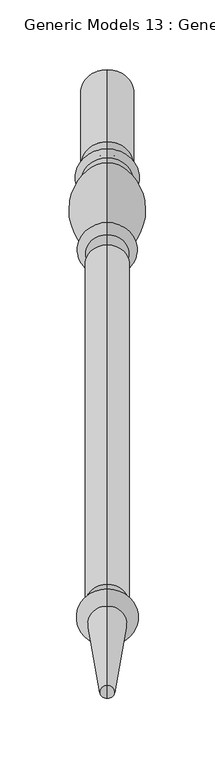
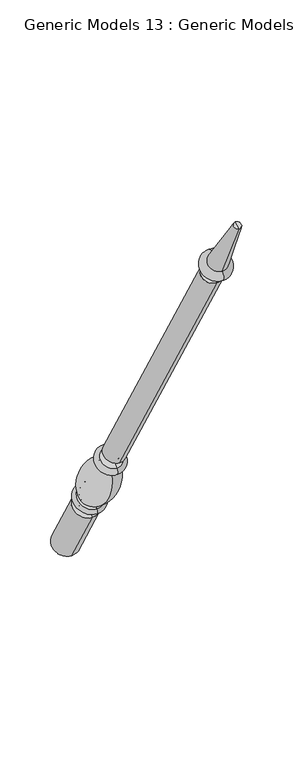
"""IFC4 building model written with IfcOpenShell, lengths in millimetres: proxy geometry, Generic Models 13 : Generic Models 2."""

from ifc_helpers import new_model, si_unit, point, frame, origin, place, context, project, spatial, polyline, circle_curve, ellipse_curve, trimmed, source, transform, mapped, element, save
from ifc_brep_helpers import plane_surface, cylinder_surface, revolved_surface, advanced_brep


def generic_models_13_generic_models_2_0260fb87(model_context):
    return source(origin(), model_context, "Body", "AdvancedBrep", [
        advanced_brep(
        [(-959.2684498, 1861.1601077, 610.5814746), (-959.2684498, 1828.1645398, 591.5314746), (-959.2684498, 1880.0576333, 501.65), (-959.2684498, 1913.0532012, 520.7), (-959.2684498, 1853.6896456, 623.5206944), (-959.2684498, 1820.6940777, 604.4706944), (-959.2684498, 1849.5864045, 630.6277165), (-959.2684498, 1816.5908366, 611.5777165), (-959.2684498, 1845.9182158, 636.9812058), (-959.2684498, 1812.9226479, 617.9312058), (-959.2684498, 1801.1569262, 703.055156), (-959.2684498, 1778.0815733, 689.7325947), (-959.2684498, 1799.8610191, 710.4046105), (-959.2684498, 1772.3647125, 694.5296105), (-959.2684498, 1794.1590629, 720.2806883), (-959.2684498, 1766.6627563, 704.4056883), (-959.2684498, 1786.7732215, 733.0733408), (-959.2684498, 1759.276915, 717.1983408), (-959.2684498, 1542.2982215, 1156.516462), (-959.2684498, 1514.801915, 1140.641462), (-959.2684498, 1537.2251467, 1153.5875209), (-959.2684498, 1519.8749898, 1143.5704031), (-959.2684498, 1531.1910418, 1164.0388972), (-959.2684498, 1513.8408848, 1154.0217794), (-959.2684498, 1534.7597609, 1166.0992981), (-959.2684498, 1510.2721658, 1151.9613785), (-959.2684498, 1526.5847892, 1180.2587644), (-959.2684498, 1502.0971941, 1166.1208448), (-959.2684498, 1469.4852742, 1261.8053229), (-959.2684498, 1460.0255603, 1256.3437545), (-959.2684498, 1464.7554173, 1259.0745387), (-959.2684498, 1896.5554173, 511.175)],
        [
            (0, 1, circle_curve(frame((-959.2684498, 1844.6623237, 601.0564746), z_axis=(0.0, 0.5000000000000062, -0.8660254037844352), x_axis=(0.0, -0.8660254037844352, -0.5000000000000062)), 19.05)),
            (1, 2),
            (2, 3, circle_curve(frame((-959.2684498, 1896.5554173, 511.175), z_axis=(0.0, -0.5000000000000062, 0.8660254037844352), x_axis=(0.0, -0.8660254037844352, -0.5000000000000062)), 19.05)),
            (3, 0),
            (1, 0, circle_curve(frame((-959.2684498, 1844.6623237, 601.0564746), z_axis=(0.0, 0.5000000000000062, -0.8660254037844352), x_axis=(0.0, -0.8660254037844352, -0.5000000000000062)), 19.05)),
            (3, 2, circle_curve(frame((-959.2684498, 1896.5554173, 511.175), z_axis=(0.0, -0.5000000000000062, 0.8660254037844352), x_axis=(0.0, -0.8660254037844352, -0.5000000000000062)), 19.05)),
            (4, 5, circle_curve(frame((-959.2684498, 1837.1918617, 613.9956944), z_axis=(0.0, 0.5000000000000062, -0.8660254037844352), x_axis=(0.0, -0.8660254037844352, -0.5000000000000062)), 19.05)),
            (5, 1, circle_curve(frame((-959.2684498, 1821.8102989, 596.4889985), z_axis=(-1.0, 0.0, 0.0), x_axis=(0.0, 0.8660254037844352, 0.5000000000000062)), 8.0593685)),
            (0, 4, circle_curve(frame((-959.2684498, 1860.0438865, 618.5631706), z_axis=(-1.0, 0.0, 0.0), x_axis=(0.0, -0.8660254037844352, -0.5000000000000062)), 8.0593685)),
            (5, 4, circle_curve(frame((-959.2684498, 1837.1918617, 613.9956944), z_axis=(0.0, 0.5000000000000062, -0.8660254037844352), x_axis=(0.0, -0.8660254037844352, -0.5000000000000062)), 19.05)),
            (6, 7, circle_curve(frame((-959.2684498, 1833.0886205, 621.1027165), z_axis=(0.0, 0.5000000000000062, -0.8660254037844352), x_axis=(0.0, -0.8660254037844352, -0.5000000000000062)), 19.05)),
            (7, 5, circle_curve(frame((-959.2684498, 1818.6424572, 608.0242055), z_axis=(1.0, 0.0, 0.0), x_axis=(0.0, 0.8660254037844352, 0.5000000000000062)), 4.1032411)),
            (4, 6, circle_curve(frame((-959.2684498, 1851.638025, 627.0742055), z_axis=(1.0, 0.0, 0.0), x_axis=(0.0, -0.8660254037844352, -0.5000000000000062)), 4.1032411)),
            (7, 6, circle_curve(frame((-959.2684498, 1833.0886205, 621.1027165), z_axis=(0.0, 0.5000000000000062, -0.8660254037844352), x_axis=(0.0, -0.8660254037844352, -0.5000000000000062)), 19.05)),
            (8, 9, circle_curve(frame((-959.2684498, 1829.4204318, 627.4562058), z_axis=(0.0, 0.5000000000000062, -0.8660254037844352), x_axis=(0.0, -0.8660254037844352, -0.5000000000000062)), 19.05)),
            (9, 7, circle_curve(frame((-959.2684498, 1813.3633086, 613.9499618), z_axis=(-1.0, 0.0, 0.0), x_axis=(0.0, 0.8660254037844352, 0.5000000000000062)), 4.0055568)),
            (6, 8, circle_curve(frame((-959.2684498, 1849.1457438, 634.6089605), z_axis=(-1.0, 0.0, 0.0), x_axis=(0.0, -0.8660254037844352, -0.5000000000000062)), 4.0055568)),
            (9, 8, circle_curve(frame((-959.2684498, 1829.4204318, 627.4562058), z_axis=(0.0, 0.5000000000000062, -0.8660254037844352), x_axis=(0.0, -0.8660254037844352, -0.5000000000000062)), 19.05)),
            (10, 11, circle_curve(frame((-959.2684498, 1789.6192497, 696.3938754), z_axis=(0.0, 0.5000000000000062, -0.8660254037844352), x_axis=(0.0, -0.8660254037844352, -0.5000000000000062)), 13.3225612)),
            (11, 9, circle_curve(frame((-959.2684498, 1854.1299968, 682.2806335), z_axis=(1.0, 0.0, 0.0), x_axis=(0.0, 0.8660254037844352, 0.5000000000000062)), 76.412659)),
            (8, 10, circle_curve(frame((-959.2684498, 1769.5863022, 633.4693086), z_axis=(1.0, 0.0, 0.0), x_axis=(0.0, -0.8660254037844352, -0.5000000000000062)), 76.412659)),
            (11, 10, circle_curve(frame((-959.2684498, 1789.6192497, 696.3938754), z_axis=(0.0, 0.5000000000000062, -0.8660254037844352), x_axis=(0.0, -0.8660254037844352, -0.5000000000000062)), 13.3225612)),
            (12, 13, circle_curve(frame((-959.2684498, 1786.1128658, 702.4671105), z_axis=(0.0, 0.5000000000000062, -0.8660254037844352), x_axis=(0.0, -0.8660254037844352, -0.5000000000000062)), 15.875)),
            (13, 11, circle_curve(frame((-959.2684498, 1773.4069828, 689.9666873), z_axis=(-1.0, 0.0, 0.0), x_axis=(0.0, 0.8660254037844352, 0.5000000000000062)), 4.6804482)),
            (10, 12, circle_curve(frame((-959.2684498, 1803.2914914, 707.2205164), z_axis=(-1.0, 0.0, 0.0), x_axis=(0.0, -0.8660254037844352, -0.5000000000000062)), 4.6804482)),
            (13, 12, circle_curve(frame((-959.2684498, 1786.1128658, 702.4671105), z_axis=(0.0, 0.5000000000000062, -0.8660254037844352), x_axis=(0.0, -0.8660254037844352, -0.5000000000000062)), 15.875)),
            (14, 15, circle_curve(frame((-959.2684498, 1780.4109096, 712.3431883), z_axis=(0.0, 0.5000000000000062, -0.8660254037844352), x_axis=(0.0, -0.8660254037844352, -0.5000000000000062)), 15.875)),
            (15, 13, circle_curve(frame((-959.2684498, 1769.5137344, 699.4676494), z_axis=(1.0, 0.0, 0.0), x_axis=(0.0, 0.8660254037844352, 0.5000000000000062)), 5.7019562)),
            (12, 14, circle_curve(frame((-959.2684498, 1797.010041, 715.3426494), z_axis=(1.0, 0.0, 0.0), x_axis=(0.0, -0.8660254037844352, -0.5000000000000062)), 5.7019562)),
            (15, 14, circle_curve(frame((-959.2684498, 1780.4109096, 712.3431883), z_axis=(0.0, 0.5000000000000062, -0.8660254037844352), x_axis=(0.0, -0.8660254037844352, -0.5000000000000062)), 15.875)),
            (16, 17, circle_curve(frame((-959.2684498, 1773.0250683, 725.1358408), z_axis=(0.0, 0.5000000000000062, -0.8660254037844352), x_axis=(0.0, -0.8660254037844352, -0.5000000000000062)), 15.875)),
            (17, 15, circle_curve(frame((-959.2684498, 1762.9698356, 710.8020145), z_axis=(-1.0, 0.0, 0.0), x_axis=(0.0, 0.8660254037844352, 0.5000000000000062)), 7.3858413)),
            (14, 16, circle_curve(frame((-959.2684498, 1790.4661422, 726.6770145), z_axis=(-1.0, 0.0, 0.0), x_axis=(0.0, -0.8660254037844352, -0.5000000000000062)), 7.3858413)),
            (17, 16, circle_curve(frame((-959.2684498, 1773.0250683, 725.1358408), z_axis=(0.0, 0.5000000000000062, -0.8660254037844352), x_axis=(0.0, -0.8660254037844352, -0.5000000000000062)), 15.875)),
            (18, 19, circle_curve(frame((-959.2684498, 1528.5500683, 1148.578962), z_axis=(0.0, 0.5000000000000062, -0.8660254037844352), x_axis=(0.0, -0.8660254037844352, -0.5000000000000062)), 15.875)),
            (19, 17),
            (16, 18),
            (19, 18, circle_curve(frame((-959.2684498, 1528.5500683, 1148.578962), z_axis=(0.0, 0.5000000000000062, -0.8660254037844352), x_axis=(0.0, -0.8660254037844352, -0.5000000000000062)), 15.875)),
            (20, 21, circle_curve(frame((-959.2684498, 1528.5500683, 1148.578962), z_axis=(0.0, 0.5000000000000062, -0.8660254037844352), x_axis=(0.0, -0.8660254037844352, -0.5000000000000062)), 10.0171178)),
            (21, 19),
            (18, 20),
            (21, 20, circle_curve(frame((-959.2684498, 1528.5500683, 1148.578962), z_axis=(0.0, 0.5000000000000062, -0.8660254037844352), x_axis=(0.0, -0.8660254037844352, -0.5000000000000062)), 10.0171178)),
            (22, 23, circle_curve(frame((-959.2684498, 1522.5159633, 1159.0303383), z_axis=(0.0, 0.5000000000000062, -0.8660254037844352), x_axis=(0.0, -0.8660254037844352, -0.5000000000000062)), 10.0171178)),
            (23, 21, circle_curve(frame((-959.2684498, 1515.3020818, 1147.8978177), z_axis=(-1.0, 0.0, 0.0), x_axis=(0.0, 0.8660254037844352, 0.5000000000000062)), 6.295872)),
            (20, 22, circle_curve(frame((-959.2684498, 1535.7639497, 1159.7114826), z_axis=(-1.0, 0.0, 0.0), x_axis=(0.0, -0.8660254037844352, -0.5000000000000062)), 6.295872)),
            (23, 22, circle_curve(frame((-959.2684498, 1522.5159633, 1159.0303383), z_axis=(0.0, 0.5000000000000062, -0.8660254037844352), x_axis=(0.0, -0.8660254037844352, -0.5000000000000062)), 10.0171178)),
            (24, 25, circle_curve(frame((-959.2684498, 1522.5159633, 1159.0303383), z_axis=(0.0, 0.5000000000000062, -0.8660254037844352), x_axis=(0.0, -0.8660254037844352, -0.5000000000000062)), 14.1379196)),
            (25, 23),
            (22, 24),
            (25, 24, circle_curve(frame((-959.2684498, 1522.5159633, 1159.0303383), z_axis=(0.0, 0.5000000000000062, -0.8660254037844352), x_axis=(0.0, -0.8660254037844352, -0.5000000000000062)), 14.1379196)),
            (26, 27, circle_curve(frame((-959.2684498, 1514.3409916, 1173.1898046), z_axis=(0.0, 0.5000000000000062, -0.8660254037844352), x_axis=(0.0, -0.8660254037844352, -0.5000000000000062)), 14.1379196)),
            (27, 25, circle_curve(frame((-959.2684498, 1506.1846799, 1159.0411116), z_axis=(1.0, 0.0, 0.0), x_axis=(0.0, 0.8660254037844352, 0.5000000000000062)), 8.1749717)),
            (24, 26, circle_curve(frame((-959.2684498, 1530.672275, 1173.1790313), z_axis=(1.0, 0.0, 0.0), x_axis=(0.0, -0.8660254037844352, -0.5000000000000062)), 8.1749717)),
            (27, 26, circle_curve(frame((-959.2684498, 1514.3409916, 1173.1898046), z_axis=(0.0, 0.5000000000000062, -0.8660254037844352), x_axis=(0.0, -0.8660254037844352, -0.5000000000000062)), 14.1379196)),
            (28, 29, circle_curve(frame((-959.2684498, 1464.7554173, 1259.0745387), z_axis=(0.0, 0.5000000000000062, -0.8660254037844352), x_axis=(0.0, -0.8660254037844352, -0.5000000000000062)), 5.4615684)),
            (29, 27),
            (26, 28),
            (29, 28, circle_curve(frame((-959.2684498, 1464.7554173, 1259.0745387), z_axis=(0.0, 0.5000000000000062, -0.8660254037844352), x_axis=(0.0, -0.8660254037844352, -0.5000000000000062)), 5.4615684)),
            (30, 29),
            (28, 30),
            (2, 31),
            (31, 3),
        ],
        [
            cylinder_surface(frame((-959.2684498, 1464.7554173, 1259.0745387), z_axis=(0.0, -0.5000000000000062, 0.8660254037844352), x_axis=(0.0, -0.8660254037844352, -0.5000000000000062)), 19.05),
            revolved_surface(trimmed(ellipse_curve(frame((-959.2684498, 1821.8102989, 596.4889985), z_axis=(1.0, 0.0, 0.0), x_axis=(0.0, 0.8660254037844352, 0.5000000000000062)), 8.0593685, 8.0593685), [point((-959.2684498, 1828.1645398, 591.5314746))], [point((-959.2684498, 1820.6940777, 604.4706944))], True, "CARTESIAN"), (-959.2684498, 1464.7554173, 1259.0745387), (0.0, -0.5000000000000062, 0.8660254037844352)),
            revolved_surface(trimmed(ellipse_curve(frame((-959.2684498, 1818.6424572, 608.0242055), z_axis=(-1.0, 0.0, 0.0), x_axis=(0.0, 0.8660254037844352, 0.5000000000000062)), 4.1032411, 4.1032411), [point((-959.2684498, 1820.6940777, 604.4706944))], [point((-959.2684498, 1816.5908366, 611.5777165))], True, "CARTESIAN"), (-959.2684498, 1464.7554173, 1259.0745387), (0.0, -0.5000000000000062, 0.8660254037844352)),
            revolved_surface(trimmed(ellipse_curve(frame((-959.2684498, 1813.3633086, 613.9499618), z_axis=(1.0, 0.0, 0.0), x_axis=(0.0, 0.8660254037844352, 0.5000000000000062)), 4.0055568, 4.0055568), [point((-959.2684498, 1816.5908366, 611.5777165))], [point((-959.2684498, 1812.9226479, 617.9312058))], True, "CARTESIAN"), (-959.2684498, 1464.7554173, 1259.0745387), (0.0, -0.5000000000000062, 0.8660254037844352)),
            revolved_surface(trimmed(ellipse_curve(frame((-959.2684498, 1854.1299968, 682.2806335), z_axis=(-1.0, 0.0, 0.0), x_axis=(0.0, 0.8660254037844352, 0.5000000000000062)), 76.412659, 76.412659), [point((-959.2684498, 1812.9226479, 617.9312058))], [point((-959.2684498, 1778.0815733, 689.7325947))], True, "CARTESIAN"), (-959.2684498, 1464.7554173, 1259.0745387), (0.0, -0.5000000000000062, 0.8660254037844352)),
            revolved_surface(trimmed(ellipse_curve(frame((-959.2684498, 1773.4069828, 689.9666873), z_axis=(1.0, 0.0, 0.0), x_axis=(0.0, 0.8660254037844352, 0.5000000000000062)), 4.6804482, 4.6804482), [point((-959.2684498, 1778.0815733, 689.7325947))], [point((-959.2684498, 1772.3647125, 694.5296105))], True, "CARTESIAN"), (-959.2684498, 1464.7554173, 1259.0745387), (0.0, -0.5000000000000062, 0.8660254037844352)),
            revolved_surface(trimmed(ellipse_curve(frame((-959.2684498, 1769.5137344, 699.4676494), z_axis=(-1.0, 0.0, 0.0), x_axis=(0.0, 0.8660254037844352, 0.5000000000000062)), 5.7019562, 5.7019562), [point((-959.2684498, 1772.3647125, 694.5296105))], [point((-959.2684498, 1766.6627563, 704.4056883))], True, "CARTESIAN"), (-959.2684498, 1464.7554173, 1259.0745387), (0.0, -0.5000000000000062, 0.8660254037844352)),
            revolved_surface(trimmed(ellipse_curve(frame((-959.2684498, 1762.9698356, 710.8020145), z_axis=(1.0, 0.0, 0.0), x_axis=(0.0, 0.8660254037844352, 0.5000000000000062)), 7.3858413, 7.3858413), [point((-959.2684498, 1766.6627563, 704.4056883))], [point((-959.2684498, 1759.276915, 717.1983408))], True, "CARTESIAN"), (-959.2684498, 1464.7554173, 1259.0745387), (0.0, -0.5000000000000062, 0.8660254037844352)),
            cylinder_surface(frame((-959.2684498, 1464.7554173, 1259.0745387), z_axis=(0.0, -0.5000000000000062, 0.8660254037844352), x_axis=(0.0, -0.8660254037844352, -0.5000000000000062)), 15.875),
            plane_surface(frame((-959.2684498, 1528.5500683, 1148.578962), z_axis=(0.0, -0.5000000000000062, 0.8660254037844352), x_axis=(0.0, -0.8660254037844352, -0.5000000000000062))),
            revolved_surface(trimmed(ellipse_curve(frame((-959.2684498, 1515.3020818, 1147.8978177), z_axis=(1.0, 0.0, 0.0), x_axis=(0.0, 0.8660254037844352, 0.5000000000000062)), 6.295872, 6.295872), [point((-959.2684498, 1519.8749898, 1143.5704031))], [point((-959.2684498, 1513.8408848, 1154.0217794))], True, "CARTESIAN"), (-959.2684498, 1464.7554173, 1259.0745387), (0.0, -0.5000000000000062, 0.8660254037844352)),
            plane_surface(frame((-959.2684498, 1522.5159633, 1159.0303383), z_axis=(0.0, 0.5000000000000062, -0.8660254037844352), x_axis=(0.0, -0.8660254037844352, -0.5000000000000062))),
            revolved_surface(trimmed(ellipse_curve(frame((-959.2684498, 1506.1846799, 1159.0411116), z_axis=(-1.0, 0.0, 0.0), x_axis=(0.0, 0.8660254037844352, 0.5000000000000062)), 8.1749717, 8.1749717), [point((-959.2684498, 1510.2721658, 1151.9613785))], [point((-959.2684498, 1502.0971941, 1166.1208448))], True, "CARTESIAN"), (-959.2684498, 1464.7554173, 1259.0745387), (0.0, -0.5000000000000062, 0.8660254037844352)),
            revolved_surface(polyline([(-959.2684498, 1502.0971941, 1166.1208448), (-959.2684498, 1460.0255603, 1256.3437545)]), (-959.2684498, 1464.7554173, 1259.0745387), (0.0, -0.5000000000000062, 0.8660254037844352)),
            plane_surface(frame((-959.2684498, 1464.7554173, 1259.0745387), z_axis=(0.0, -0.5000000000000062, 0.8660254037844352), x_axis=(0.0, -0.8660254037844352, -0.5000000000000062))),
            plane_surface(frame((-959.2684498, 1896.5554173, 511.175), z_axis=(0.0, 0.5000000000000062, -0.8660254037844352), x_axis=(0.0, -0.8660254037844352, -0.5000000000000062))),
        ],
        [
            (0, [[1, 2, 3, 4]]),
            (0, [[5, -4, 6, -2]]),
            (1, [[7, 8, -1, 9]]),
            (1, [[10, -9, -5, -8]]),
            (2, [[11, 12, -7, 13]]),
            (2, [[14, -13, -10, -12]]),
            (3, [[15, 16, -11, 17]]),
            (3, [[18, -17, -14, -16]]),
            (4, [[19, 20, -15, 21]]),
            (4, [[22, -21, -18, -20]]),
            (5, [[23, 24, -19, 25]]),
            (5, [[26, -25, -22, -24]]),
            (6, [[27, 28, -23, 29]]),
            (6, [[30, -29, -26, -28]]),
            (7, [[31, 32, -27, 33]]),
            (7, [[34, -33, -30, -32]]),
            (8, [[35, 36, -31, 37]]),
            (8, [[38, -37, -34, -36]]),
            (9, [[39, 40, -35, 41]]),
            (9, [[42, -41, -38, -40]]),
            (10, [[43, 44, -39, 45]]),
            (10, [[46, -45, -42, -44]]),
            (11, [[47, 48, -43, 49]]),
            (11, [[50, -49, -46, -48]]),
            (12, [[51, 52, -47, 53]]),
            (12, [[54, -53, -50, -52]]),
            (13, [[55, 56, -51, 57]]),
            (13, [[58, -57, -54, -56]]),
            (14, [[59, -55, 60]]),
            (14, [[-60, -58, -59]]),
            (15, [[-3, 61, 62]]),
            (15, [[-6, -62, -61]]),
        ],
    ),
    ])


if __name__ == "__main__":
    model = new_model("IFC4")
    model_context = context("Model", 3, world=origin())
    ifc_project = project(units=[si_unit("LENGTHUNIT", "METRE", prefix="MILLI")], contexts=[model_context])
    site = spatial("IfcSite", under=ifc_project)
    building = spatial("IfcBuilding", under=site)
    placement = place(None, origin())
    generic_models_13_generic_models_2_shape = generic_models_13_generic_models_2_0260fb87(model_context)
    element("IfcBuildingElementProxy", 1, Name="Generic Models 13 : Generic Models 2", ObjectType="Generic Models 13 : Generic Models 2", at=placement, inside=building, context=model_context, shape_type="MappedRepresentation", body=[
        mapped(generic_models_13_generic_models_2_shape, transform((0.0, 0.0, 0.0), x_axis=(1.0, 0.0, 0.0), y_axis=(0.0, 1.0, 0.0), z_axis=(0.0, 0.0, 1.0))),
    ])
    save(model, "model.ifc")
